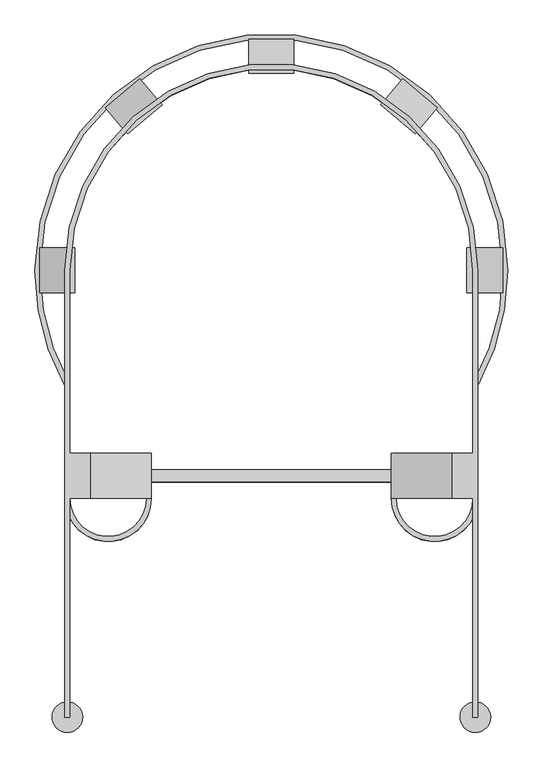
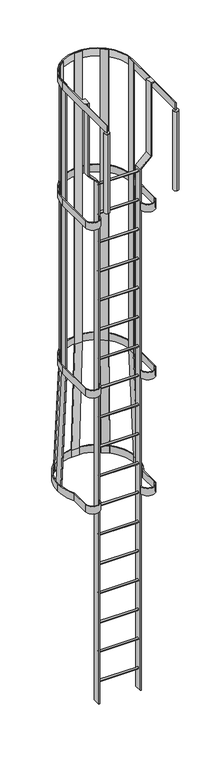
"""IFC4 building model written with IfcOpenShell, lengths in millimetres: proxy geometry."""

from ifc_helpers import new_model, si_unit, point, frame, frame_2d, origin, place, context, project, spatial, polyline, circle_curve, trimmed, segment, composite_curve, outline, extrude, source, transform, mapped, element, save
from ifc_brep_helpers import plane_surface, cylinder_surface, revolved_surface, advanced_brep


def specialty_equipment_2896872f(model_context):
    return source(origin(), model_context, "Body", "SolidModel", [
        extrude(outline(composite_curve([segment(trimmed(circle_curve(frame_2d((272.0, 365.2)), 72.0), [point((344.0, 365.2))], [point((200.0, 365.2))], False, "CARTESIAN"), True, "CONTINUOUS"), segment(polyline([(200.0, 365.2), (208.0, 365.2)]), True, "CONTINUOUS"), segment(trimmed(circle_curve(frame_2d((272.0, 365.2)), 64.0), [point((208.0, 365.2))], [point((336.0, 365.2))], True, "CARTESIAN"), True, "CONTINUOUS"), segment(polyline([(336.0, 365.2), (336.0, 745.2)]), True, "CONTINUOUS"), segment(trimmed(circle_curve(frame_2d((0.0, 745.2)), 336.0), [point((336.0, 745.2))], [point((-336.0, 745.2))], True, "CARTESIAN"), True, "CONTINUOUS"), segment(polyline([(-336.0, 745.2), (-336.0, 365.2)]), True, "CONTINUOUS"), segment(trimmed(circle_curve(frame_2d((-272.0, 365.2)), 64.0), [point((-336.0, 365.2))], [point((-208.0, 365.2))], True, "CARTESIAN"), True, "CONTINUOUS"), segment(polyline([(-208.0, 365.2), (-200.0, 365.2)]), True, "CONTINUOUS"), segment(trimmed(circle_curve(frame_2d((-272.0, 365.2)), 72.0), [point((-200.0, 365.2))], [point((-344.0, 365.2))], False, "CARTESIAN"), True, "CONTINUOUS"), segment(polyline([(-344.0, 365.2), (-344.0, 745.2)]), True, "CONTINUOUS"), segment(trimmed(circle_curve(frame_2d((0.0, 745.2)), 344.0), [point((-344.0, 745.2))], [point((344.0, 745.2))], False, "CARTESIAN"), True, "CONTINUOUS"), segment(polyline([(344.0, 745.2), (344.0, 365.2)]), True, "CONTINUOUS")], self_intersect=False)), frame((0.0, 0.0, -2135.0), z_axis=(0.0, 0.0, 1.0), x_axis=(1.0, 0.0, 0.0)), (0.0, 0.0, 1.0), 75.0),
        extrude(outline(composite_curve([segment(trimmed(circle_curve(frame_2d((402.7, -5185.0)), 10.0), [point((392.7, -5185.0))], [point((412.7, -5185.0))], False, "CARTESIAN"), True, "CONTINUOUS"), segment(trimmed(circle_curve(frame_2d((402.7, -5185.0)), 10.0), [point((412.7, -5185.0))], [point((392.7, -5185.0))], False, "CARTESIAN"), True, "CONTINUOUS")], self_intersect=False)), frame((-200.0, 0.0, 0.0), z_axis=(1.0, 0.0, 0.0), x_axis=(0.0, 1.0, 0.0)), (0.0, 0.0, 1.0), 400.0),
        extrude(outline(composite_curve([segment(trimmed(circle_curve(frame_2d((402.7, -4880.0)), 10.0), [point((392.7, -4880.0))], [point((412.7, -4880.0))], False, "CARTESIAN"), True, "CONTINUOUS"), segment(trimmed(circle_curve(frame_2d((402.7, -4880.0)), 10.0), [point((412.7, -4880.0))], [point((392.7, -4880.0))], False, "CARTESIAN"), True, "CONTINUOUS")], self_intersect=False)), frame((-200.0, 0.0, 0.0), z_axis=(1.0, 0.0, 0.0), x_axis=(0.0, 1.0, 0.0)), (0.0, 0.0, 1.0), 400.0),
        extrude(outline(composite_curve([segment(trimmed(circle_curve(frame_2d((402.7, -4575.0)), 10.0), [point((392.7, -4575.0))], [point((412.7, -4575.0))], False, "CARTESIAN"), True, "CONTINUOUS"), segment(trimmed(circle_curve(frame_2d((402.7, -4575.0)), 10.0), [point((412.7, -4575.0))], [point((392.7, -4575.0))], False, "CARTESIAN"), True, "CONTINUOUS")], self_intersect=False)), frame((-200.0, 0.0, 0.0), z_axis=(1.0, 0.0, 0.0), x_axis=(0.0, 1.0, 0.0)), (0.0, 0.0, 1.0), 400.0),
        extrude(outline(composite_curve([segment(trimmed(circle_curve(frame_2d((402.7, -4270.0)), 10.0), [point((392.7, -4270.0))], [point((412.7, -4270.0))], False, "CARTESIAN"), True, "CONTINUOUS"), segment(trimmed(circle_curve(frame_2d((402.7, -4270.0)), 10.0), [point((412.7, -4270.0))], [point((392.7, -4270.0))], False, "CARTESIAN"), True, "CONTINUOUS")], self_intersect=False)), frame((-200.0, 0.0, 0.0), z_axis=(1.0, 0.0, 0.0), x_axis=(0.0, 1.0, 0.0)), (0.0, 0.0, 1.0), 400.0),
        extrude(outline(composite_curve([segment(trimmed(circle_curve(frame_2d((402.7, -3965.0)), 10.0), [point((392.7, -3965.0))], [point((412.7, -3965.0))], False, "CARTESIAN"), True, "CONTINUOUS"), segment(trimmed(circle_curve(frame_2d((402.7, -3965.0)), 10.0), [point((412.7, -3965.0))], [point((392.7, -3965.0))], False, "CARTESIAN"), True, "CONTINUOUS")], self_intersect=False)), frame((-200.0, 0.0, 0.0), z_axis=(1.0, 0.0, 0.0), x_axis=(0.0, 1.0, 0.0)), (0.0, 0.0, 1.0), 400.0),
        extrude(outline(composite_curve([segment(trimmed(circle_curve(frame_2d((402.7, -3660.0)), 10.0), [point((392.7, -3660.0))], [point((412.7, -3660.0))], False, "CARTESIAN"), True, "CONTINUOUS"), segment(trimmed(circle_curve(frame_2d((402.7, -3660.0)), 10.0), [point((412.7, -3660.0))], [point((392.7, -3660.0))], False, "CARTESIAN"), True, "CONTINUOUS")], self_intersect=False)), frame((-200.0, 0.0, 0.0), z_axis=(1.0, 0.0, 0.0), x_axis=(0.0, 1.0, 0.0)), (0.0, 0.0, 1.0), 400.0),
        extrude(outline(composite_curve([segment(trimmed(circle_curve(frame_2d((402.7, -3355.0)), 10.0), [point((392.7, -3355.0))], [point((412.7, -3355.0))], False, "CARTESIAN"), True, "CONTINUOUS"), segment(trimmed(circle_curve(frame_2d((402.7, -3355.0)), 10.0), [point((412.7, -3355.0))], [point((392.7, -3355.0))], False, "CARTESIAN"), True, "CONTINUOUS")], self_intersect=False)), frame((-200.0, 0.0, 0.0), z_axis=(1.0, 0.0, 0.0), x_axis=(0.0, 1.0, 0.0)), (0.0, 0.0, 1.0), 400.0),
        extrude(outline(composite_curve([segment(trimmed(circle_curve(frame_2d((402.7, -3050.0)), 10.0), [point((392.7, -3050.0))], [point((412.7, -3050.0))], False, "CARTESIAN"), True, "CONTINUOUS"), segment(trimmed(circle_curve(frame_2d((402.7, -3050.0)), 10.0), [point((412.7, -3050.0))], [point((392.7, -3050.0))], False, "CARTESIAN"), True, "CONTINUOUS")], self_intersect=False)), frame((-200.0, 0.0, 0.0), z_axis=(1.0, 0.0, 0.0), x_axis=(0.0, 1.0, 0.0)), (0.0, 0.0, 1.0), 400.0),
        extrude(outline(composite_curve([segment(trimmed(circle_curve(frame_2d((402.7, -2745.0)), 10.0), [point((392.7, -2745.0))], [point((412.7, -2745.0))], False, "CARTESIAN"), True, "CONTINUOUS"), segment(trimmed(circle_curve(frame_2d((402.7, -2745.0)), 10.0), [point((412.7, -2745.0))], [point((392.7, -2745.0))], False, "CARTESIAN"), True, "CONTINUOUS")], self_intersect=False)), frame((-200.0, 0.0, 0.0), z_axis=(1.0, 0.0, 0.0), x_axis=(0.0, 1.0, 0.0)), (0.0, 0.0, 1.0), 400.0),
        extrude(outline(composite_curve([segment(trimmed(circle_curve(frame_2d((402.7, -2440.0)), 10.0), [point((392.7, -2440.0))], [point((412.7, -2440.0))], False, "CARTESIAN"), True, "CONTINUOUS"), segment(trimmed(circle_curve(frame_2d((402.7, -2440.0)), 10.0), [point((412.7, -2440.0))], [point((392.7, -2440.0))], False, "CARTESIAN"), True, "CONTINUOUS")], self_intersect=False)), frame((-200.0, 0.0, 0.0), z_axis=(1.0, 0.0, 0.0), x_axis=(0.0, 1.0, 0.0)), (0.0, 0.0, 1.0), 400.0),
        extrude(outline(composite_curve([segment(trimmed(circle_curve(frame_2d((272.0, 365.2)), 72.0), [point((344.0, 365.2))], [point((200.0, 365.2))], False, "CARTESIAN"), True, "CONTINUOUS"), segment(polyline([(200.0, 365.2), (208.0, 365.2)]), True, "CONTINUOUS"), segment(trimmed(circle_curve(frame_2d((272.0, 365.2)), 64.0), [point((208.0, 365.2))], [point((336.0, 365.2))], True, "CARTESIAN"), True, "CONTINUOUS"), segment(polyline([(336.0, 365.2), (336.0, 745.2)]), True, "CONTINUOUS"), segment(trimmed(circle_curve(frame_2d((0.0, 745.2)), 336.0), [point((336.0, 745.2))], [point((-336.0, 745.2))], True, "CARTESIAN"), True, "CONTINUOUS"), segment(polyline([(-336.0, 745.2), (-336.0, 365.2)]), True, "CONTINUOUS"), segment(trimmed(circle_curve(frame_2d((-272.0, 365.2)), 64.0), [point((-336.0, 365.2))], [point((-208.0, 365.2))], True, "CARTESIAN"), True, "CONTINUOUS"), segment(polyline([(-208.0, 365.2), (-200.0, 365.2)]), True, "CONTINUOUS"), segment(trimmed(circle_curve(frame_2d((-272.0, 365.2)), 72.0), [point((-200.0, 365.2))], [point((-344.0, 365.2))], False, "CARTESIAN"), True, "CONTINUOUS"), segment(polyline([(-344.0, 365.2), (-344.0, 745.2)]), True, "CONTINUOUS"), segment(trimmed(circle_curve(frame_2d((0.0, 745.2)), 344.0), [point((-344.0, 745.2))], [point((344.0, 745.2))], False, "CARTESIAN"), True, "CONTINUOUS"), segment(polyline([(344.0, 745.2), (344.0, 365.2)]), True, "CONTINUOUS")], self_intersect=False)), frame((0.0, 0.0, -385.0), z_axis=(0.0, 0.0, 1.0), x_axis=(1.0, 0.0, 0.0)), (0.0, 0.0, 1.0), 75.0),
        extrude(outline(composite_curve([segment(trimmed(circle_curve(frame_2d((402.7, -2135.0)), 10.0), [point((392.7, -2135.0))], [point((412.7, -2135.0))], False, "CARTESIAN"), True, "CONTINUOUS"), segment(trimmed(circle_curve(frame_2d((402.7, -2135.0)), 10.0), [point((412.7, -2135.0))], [point((392.7, -2135.0))], False, "CARTESIAN"), True, "CONTINUOUS")], self_intersect=False)), frame((-200.0, 0.0, 0.0), z_axis=(1.0, 0.0, 0.0), x_axis=(0.0, 1.0, 0.0)), (0.0, 0.0, 1.0), 400.0),
        extrude(outline(composite_curve([segment(trimmed(circle_curve(frame_2d((402.7, -1830.0)), 10.0), [point((392.7, -1830.0))], [point((412.7, -1830.0))], False, "CARTESIAN"), True, "CONTINUOUS"), segment(trimmed(circle_curve(frame_2d((402.7, -1830.0)), 10.0), [point((412.7, -1830.0))], [point((392.7, -1830.0))], False, "CARTESIAN"), True, "CONTINUOUS")], self_intersect=False)), frame((-200.0, 0.0, 0.0), z_axis=(1.0, 0.0, 0.0), x_axis=(0.0, 1.0, 0.0)), (0.0, 0.0, 1.0), 400.0),
        extrude(outline(composite_curve([segment(trimmed(circle_curve(frame_2d((402.7, -1525.0)), 10.0), [point((392.7, -1525.0))], [point((412.7, -1525.0))], False, "CARTESIAN"), True, "CONTINUOUS"), segment(trimmed(circle_curve(frame_2d((402.7, -1525.0)), 10.0), [point((412.7, -1525.0))], [point((392.7, -1525.0))], False, "CARTESIAN"), True, "CONTINUOUS")], self_intersect=False)), frame((-200.0, 0.0, 0.0), z_axis=(1.0, 0.0, 0.0), x_axis=(0.0, 1.0, 0.0)), (0.0, 0.0, 1.0), 400.0),
        extrude(outline(composite_curve([segment(trimmed(circle_curve(frame_2d((402.7, -1220.0)), 10.0), [point((392.7, -1220.0))], [point((412.7, -1220.0))], False, "CARTESIAN"), True, "CONTINUOUS"), segment(trimmed(circle_curve(frame_2d((402.7, -1220.0)), 10.0), [point((412.7, -1220.0))], [point((392.7, -1220.0))], False, "CARTESIAN"), True, "CONTINUOUS")], self_intersect=False)), frame((-200.0, 0.0, 0.0), z_axis=(1.0, 0.0, 0.0), x_axis=(0.0, 1.0, 0.0)), (0.0, 0.0, 1.0), 400.0),
        extrude(outline(composite_curve([segment(trimmed(circle_curve(frame_2d((402.7, -915.0)), 10.0), [point((392.7, -915.0))], [point((412.7, -915.0))], False, "CARTESIAN"), True, "CONTINUOUS"), segment(trimmed(circle_curve(frame_2d((402.7, -915.0)), 10.0), [point((412.7, -915.0))], [point((392.7, -915.0))], False, "CARTESIAN"), True, "CONTINUOUS")], self_intersect=False)), frame((-200.0, 0.0, 0.0), z_axis=(1.0, 0.0, 0.0), x_axis=(0.0, 1.0, 0.0)), (0.0, 0.0, 1.0), 400.0),
        extrude(outline(composite_curve([segment(trimmed(circle_curve(frame_2d((402.7, -610.0)), 10.0), [point((392.7, -610.0))], [point((412.7, -610.0))], False, "CARTESIAN"), True, "CONTINUOUS"), segment(trimmed(circle_curve(frame_2d((402.7, -610.0)), 10.0), [point((412.7, -610.0))], [point((392.7, -610.0))], False, "CARTESIAN"), True, "CONTINUOUS")], self_intersect=False)), frame((-200.0, 0.0, 0.0), z_axis=(1.0, 0.0, 0.0), x_axis=(0.0, 1.0, 0.0)), (0.0, 0.0, 1.0), 400.0),
        extrude(outline(composite_curve([segment(trimmed(circle_curve(frame_2d((402.7, -305.0)), 10.0), [point((392.7, -305.0))], [point((412.7, -305.0))], False, "CARTESIAN"), True, "CONTINUOUS"), segment(trimmed(circle_curve(frame_2d((402.7, -305.0)), 10.0), [point((412.7, -305.0))], [point((392.7, -305.0))], False, "CARTESIAN"), True, "CONTINUOUS")], self_intersect=False)), frame((-200.0, 0.0, 0.0), z_axis=(1.0, 0.0, 0.0), x_axis=(0.0, 1.0, 0.0)), (0.0, 0.0, 1.0), 400.0),
        extrude(outline(composite_curve([segment(trimmed(circle_curve(frame_2d((402.7, 0.0)), 10.0), [point((392.7, 0.0))], [point((412.7, 0.0))], False, "CARTESIAN"), True, "CONTINUOUS"), segment(trimmed(circle_curve(frame_2d((402.7, 0.0)), 10.0), [point((412.7, 0.0))], [point((392.7, 0.0))], False, "CARTESIAN"), True, "CONTINUOUS")], self_intersect=False)), frame((-200.0, 0.0, 0.0), z_axis=(1.0, 0.0, 0.0), x_axis=(0.0, 1.0, 0.0)), (0.0, 0.0, 1.0), 400.0),
        advanced_brep(
        [(-336.03125, 0.0, 900.0), (-344.03125, 0.0, 900.0), (-344.03125, 0.0, 825.0), (-336.03125, 0.0, 825.0), (-336.03125, 365.2, 900.0), (-301.6, 365.2, 900.0), (-301.6, 440.2, 900.0), (-336.03125, 440.2, 900.0), (-336.03125, 745.2, 900.0), (336.03125, 745.2, 900.0), (336.03125, 440.2, 900.0), (301.6, 440.2, 900.0), (301.6, 365.2, 900.0), (336.03125, 365.2, 900.0), (336.03125, 0.0, 900.0), (344.03125, 0.0, 900.0), (344.03125, 745.2, 900.0), (-344.03125, 745.2, 900.0), (-344.03125, 745.2, 825.0), (-344.03125, 25.0780586, 825.0), (344.03125, 745.2, 825.0), (344.03125, 25.0780586, 825.0), (340.0, 25.4, 825.0), (336.03125, 25.0880255, 825.0), (336.03125, 745.2, 825.0), (-336.03125, 745.2, 825.0), (-336.03125, 25.0880255, 825.0), (-340.0, 25.4, 825.0), (-336.03125, 440.2, 890.0), (-336.03125, 365.2, 890.0), (336.03125, 0.0, 825.0), (344.03125, 0.0, 825.0), (336.03125, 365.2, 890.0), (336.03125, 440.2, 890.0), (301.6, 365.2, 137.4921356), (200.0, 365.2, 35.8921356), (200.0, 365.2, -5400.0), (210.0, 365.2, -5400.0), (210.0, 365.2, 31.75), (311.6, 365.2, 133.35), (311.6, 365.2, 890.0), (311.6, 440.2, 890.0), (311.6, 440.2, 133.35), (210.0, 440.2, 31.75), (210.0, 440.2, -5400.0), (200.0, 440.2, -5400.0), (200.0, 440.2, 35.8921356), (301.6, 440.2, 137.4921356), (-311.6, 365.2, 890.0), (-311.6, 365.2, 133.35), (-210.0, 365.2, 31.75), (-210.0, 365.2, -5400.0), (-200.0, 365.2, -5400.0), (-200.0, 365.2, 35.8921356), (-301.6, 365.2, 137.4921356), (-301.6, 440.2, 137.4921356), (-200.0, 440.2, 35.8921356), (-200.0, 440.2, -5400.0), (-210.0, 440.2, -5400.0), (-210.0, 440.2, 31.75), (-311.6, 440.2, 133.35), (-311.6, 440.2, 890.0), (-340.0, 25.4, 0.0), (-340.0, -25.4, 0.0), (-340.0, -25.4, 825.0), (340.0, 25.4, 0.0), (340.0, -25.4, 0.0), (340.0, -25.4, 825.0)],
        [
            (0, 1),
            (1, 2),
            (2, 3),
            (3, 0),
            (0, 4),
            (4, 5),
            (5, 6),
            (6, 7),
            (7, 8),
            (8, 9, circle_curve(frame((0.0, 745.2, 900.0), z_axis=(0.0, 0.0, -1.0), x_axis=(-1.0, 0.0, 0.0)), 336.03125)),
            (9, 10),
            (10, 11),
            (11, 12),
            (12, 13),
            (13, 14),
            (14, 15),
            (15, 16),
            (16, 17, circle_curve(frame((0.0, 745.2, 900.0), z_axis=(0.0, 0.0, 1.0), x_axis=(-1.0, 0.0, 0.0)), 344.03125)),
            (17, 1),
            (17, 18),
            (18, 19),
            (19, 2),
            (18, 20, circle_curve(frame((0.0, 745.2, 825.0), z_axis=(0.0, 0.0, -1.0), x_axis=(-1.0, 0.0, 0.0)), 344.03125)),
            (20, 21),
            (21, 22, circle_curve(frame((340.0, 0.0, 825.0), z_axis=(0.0, 0.0, 1.0), x_axis=(0.0, -1.0, 0.0)), 25.4)),
            (22, 23, circle_curve(frame((340.0, 0.0, 825.0), z_axis=(0.0, 0.0, 1.0), x_axis=(0.0, -1.0, 0.0)), 25.4)),
            (23, 24),
            (24, 25, circle_curve(frame((0.0, 745.2, 825.0), z_axis=(0.0, 0.0, 1.0), x_axis=(-1.0, 0.0, 0.0)), 336.03125)),
            (25, 26),
            (26, 27, circle_curve(frame((-340.0, 0.0, 825.0), z_axis=(0.0, 0.0, 1.0), x_axis=(0.0, -1.0, 0.0)), 25.4)),
            (27, 19, circle_curve(frame((-340.0, 0.0, 825.0), z_axis=(0.0, 0.0, 1.0), x_axis=(0.0, -1.0, 0.0)), 25.4)),
            (3, 26),
            (25, 8),
            (7, 28),
            (28, 29),
            (29, 4),
            (16, 20),
            (24, 9),
            (14, 30),
            (30, 31),
            (31, 15),
            (31, 21),
            (23, 30),
            (13, 32),
            (32, 33),
            (33, 10),
            (12, 34),
            (34, 35),
            (35, 36),
            (36, 37),
            (37, 38),
            (38, 39),
            (39, 40),
            (40, 32),
            (41, 42),
            (42, 43),
            (43, 44),
            (44, 45),
            (45, 46),
            (46, 47),
            (47, 11),
            (33, 41),
            (47, 34),
            (46, 35),
            (45, 36),
            (44, 37),
            (43, 38),
            (42, 39),
            (41, 40),
            (48, 49),
            (49, 50),
            (50, 51),
            (51, 52),
            (52, 53),
            (53, 54),
            (54, 5),
            (29, 48),
            (6, 55),
            (55, 56),
            (56, 57),
            (57, 58),
            (58, 59),
            (59, 60),
            (60, 61),
            (61, 28),
            (48, 61),
            (60, 49),
            (59, 50),
            (58, 51),
            (57, 52),
            (56, 53),
            (55, 54),
            (62, 63, circle_curve(frame((-340.0, 0.0, 0.0), z_axis=(0.0, 0.0, -1.0), x_axis=(0.0, -1.0, 0.0)), 25.4)),
            (63, 62, circle_curve(frame((-340.0, 0.0, 0.0), z_axis=(0.0, 0.0, -1.0), x_axis=(0.0, -1.0, 0.0)), 25.4)),
            (19, 64, circle_curve(frame((-340.0, 0.0, 825.0), z_axis=(0.0, 0.0, 1.0), x_axis=(0.0, -1.0, 0.0)), 25.4)),
            (64, 26, circle_curve(frame((-340.0, 0.0, 825.0), z_axis=(0.0, 0.0, 1.0), x_axis=(0.0, -1.0, 0.0)), 25.4)),
            (62, 27),
            (64, 63),
            (65, 66, circle_curve(frame((340.0, 0.0, 0.0), z_axis=(0.0, 0.0, -1.0), x_axis=(0.0, -1.0, 0.0)), 25.4)),
            (66, 65, circle_curve(frame((340.0, 0.0, 0.0), z_axis=(0.0, 0.0, -1.0), x_axis=(0.0, -1.0, 0.0)), 25.4)),
            (67, 21, circle_curve(frame((340.0, 0.0, 825.0), z_axis=(0.0, 0.0, 1.0), x_axis=(0.0, -1.0, 0.0)), 25.4)),
            (23, 67, circle_curve(frame((340.0, 0.0, 825.0), z_axis=(0.0, 0.0, 1.0), x_axis=(0.0, -1.0, 0.0)), 25.4)),
            (65, 22),
            (67, 66),
        ],
        [
            plane_surface(frame((-340.0, 0.0, 0.0), z_axis=(0.0, -1.0, 0.0), x_axis=(0.0, 0.0, 1.0))),
            plane_surface(frame((-336.03125, 0.0, 900.0), z_axis=(0.0, 0.0, 1.0), x_axis=(0.0, 1.0, 0.0))),
            plane_surface(frame((-344.03125, 0.0, 900.0), z_axis=(-1.0, 0.0, 0.0), x_axis=(0.0, 1.0, 0.0))),
            plane_surface(frame((-344.03125, 0.0, 825.0), z_axis=(0.0, 0.0, -1.0), x_axis=(0.0, 1.0, 0.0))),
            plane_surface(frame((-336.03125, 0.0, 825.0), z_axis=(1.0, 0.0, 0.0), x_axis=(0.0, 1.0, 0.0))),
            cylinder_surface(frame((0.0, 745.2, 0.0), z_axis=(0.0, 0.0, -1.0), x_axis=(-1.0, 0.0, 0.0)), 344.03125),
            revolved_surface(polyline([(-336.03125, 745.2, 825.0), (-336.03125, 745.2, 900.0)]), (0.0, 745.2, 0.0), (0.0, 0.0, -1.0)),
            plane_surface(frame((340.0, 0.0, 0.0), z_axis=(0.0, -1.0, 0.0), x_axis=(0.0, 0.0, 1.0))),
            plane_surface(frame((344.03125, 745.2, 900.0), z_axis=(1.0, 0.0, 0.0), x_axis=(0.0, -1.0, 0.0))),
            plane_surface(frame((336.03125, 745.2, 825.0), z_axis=(-1.0, 0.0, 0.0), x_axis=(0.0, -1.0, 0.0))),
            plane_surface(frame((270.9170109, 365.2, 0.0), z_axis=(0.0, -1.0, 0.0), x_axis=(0.0, 0.0, 1.0))),
            plane_surface(frame((270.9170109, 440.2, 0.0), z_axis=(0.0, 1.0, 0.0), x_axis=(0.0, 0.0, 1.0))),
            plane_surface(frame((301.6, 365.2, 900.0), z_axis=(-1.0, 0.0, 0.0), x_axis=(0.0, 1.0, 0.0))),
            plane_surface(frame((301.6, 365.2, 137.4921356), z_axis=(-0.7071067811865553, 0.0, 0.7071067811865398), x_axis=(0.0, 1.0, 0.0))),
            plane_surface(frame((200.0, 365.2, 35.8921356), z_axis=(-1.0, 0.0, 0.0), x_axis=(0.0, 1.0, 0.0))),
            plane_surface(frame((200.0, 365.2, -5400.0), z_axis=(0.0, 0.0, -1.0), x_axis=(0.0, 1.0, 0.0))),
            plane_surface(frame((210.0, 365.2, -5400.0), z_axis=(1.0, 0.0, 0.0), x_axis=(0.0, 1.0, 0.0))),
            plane_surface(frame((210.0, 365.2, 31.75), z_axis=(0.707106781186555, 0.0, -0.7071067811865401), x_axis=(0.0, 1.0, 0.0))),
            plane_surface(frame((311.6, 365.2, 133.35), z_axis=(1.0, 0.0, 0.0), x_axis=(0.0, 1.0, 0.0))),
            plane_surface(frame((311.6, 365.2, 890.0), z_axis=(0.0, 0.0, -1.0), x_axis=(0.0, 1.0, 0.0))),
            plane_surface(frame((-514.625, 365.2, 0.0), z_axis=(0.0, -1.0, 0.0), x_axis=(0.0, 0.0, 1.0))),
            plane_surface(frame((-514.625, 440.2, 0.0), z_axis=(0.0, 1.0, 0.0), x_axis=(0.0, 0.0, 1.0))),
            plane_surface(frame((-311.6, 365.2, 890.0), z_axis=(-1.0, 0.0, 0.0), x_axis=(0.0, 1.0, 0.0))),
            plane_surface(frame((-311.6, 365.2, 133.35), z_axis=(-0.7071067811865539, 0.0, -0.7071067811865411), x_axis=(0.0, 1.0, 0.0))),
            plane_surface(frame((-210.0, 365.2, 31.75), z_axis=(-1.0, 0.0, 0.0), x_axis=(0.0, 1.0, 0.0))),
            plane_surface(frame((-210.0, 365.2, -5400.0), z_axis=(0.0, 0.0, -1.0), x_axis=(0.0, 1.0, 0.0))),
            plane_surface(frame((-200.0, 365.2, -5400.0), z_axis=(1.0, 0.0, 0.0), x_axis=(0.0, 1.0, 0.0))),
            plane_surface(frame((-200.0, 365.2, 35.8921356), z_axis=(0.7071067811865526, 0.0, 0.7071067811865425), x_axis=(0.0, 1.0, 0.0))),
            plane_surface(frame((-301.6, 365.2, 137.4921356), z_axis=(1.0, 0.0, 0.0), x_axis=(0.0, 1.0, 0.0))),
            plane_surface(frame((-340.0, 365.2, 890.0), z_axis=(0.0, 0.0, -1.0), x_axis=(0.0, 1.0, 0.0))),
            plane_surface(frame((0.0, -25.4, 0.0), z_axis=(0.0, 0.0, -1.0), x_axis=(1.0, 0.0, 0.0))),
            plane_surface(frame((0.0, -25.4, 825.0), z_axis=(0.0, 0.0, 1.0), x_axis=(1.0, 0.0, 0.0))),
            cylinder_surface(frame((-340.0, 0.0, 0.0), z_axis=(0.0, 0.0, -1.0), x_axis=(0.0, -1.0, 0.0)), 25.4),
            cylinder_surface(frame((340.0, 0.0, 0.0), z_axis=(0.0, 0.0, -1.0), x_axis=(0.0, -1.0, 0.0)), 25.4),
        ],
        [
            (0, [[1, 2, 3, 4]]),
            (1, [[-1, 5, 6, 7, 8, 9, 10, 11, 12, 13, 14, 15, 16, 17, 18, 19]]),
            (2, [[-2, -19, 20, 21, 22]]),
            (3, [[23, 24, 25, 26, 27, 28, 29, 30, 31, -21]]),
            (4, [[-4, 32, -29, 33, -9, 34, 35, 36, -5]]),
            (5, [[-18, 37, -23, -20]]),
            (6, [[-10, -33, -28, 38]]),
            (7, [[-16, 39, 40, 41]]),
            (8, [[-17, -41, 42, -24, -37]]),
            (9, [[-38, -27, 43, -39, -15, 44, 45, 46, -11]]),
            (10, [[47, 48, 49, 50, 51, 52, 53, 54, -44, -14]]),
            (11, [[55, 56, 57, 58, 59, 60, 61, -12, -46, 62]]),
            (12, [[-47, -13, -61, 63]]),
            (13, [[-48, -63, -60, 64]]),
            (14, [[-49, -64, -59, 65]]),
            (15, [[-50, -65, -58, 66]]),
            (16, [[-51, -66, -57, 67]]),
            (17, [[-52, -67, -56, 68]]),
            (18, [[-53, -68, -55, 69]]),
            (19, [[-69, -62, -45, -54]]),
            (20, [[70, 71, 72, 73, 74, 75, 76, -6, -36, 77]]),
            (21, [[78, 79, 80, 81, 82, 83, 84, 85, -34, -8]]),
            (22, [[-70, 86, -84, 87]]),
            (23, [[-71, -87, -83, 88]]),
            (24, [[-72, -88, -82, 89]]),
            (25, [[-73, -89, -81, 90]]),
            (26, [[-74, -90, -80, 91]]),
            (27, [[-75, -91, -79, 92]]),
            (28, [[-76, -92, -78, -7]]),
            (29, [[-86, -77, -35, -85]]),
            (30, [[93, 94]]),
            (31, [[95, 96, -32, -3, -22]]),
            (32, [[-93, 97, -30, -96, 98]]),
            (32, [[-94, -98, -95, -31, -97]]),
            (30, [[99, 100]]),
            (31, [[101, -42, -40, -43, 102]]),
            (33, [[-99, 103, -25, -101, 104]]),
            (33, [[-100, -104, -102, -26, -103]]),
        ],
    ),
        extrude(outline(polyline([(0.0, -8.0), (0.0, 0.0), (3035.176126, 0.0), (4170.176126, -50.0), (4245.0, -50.0), (4245.0, -58.0), (4170.0, -58.0), (3035.0, -8.0), (0.0, -8.0)])), frame((239.5610026, 972.358042, 900.0), z_axis=(-0.7660444431189735, 0.6427876096865449, 0.0), x_axis=(0.0, 0.0, -1.0)), (0.0, 0.0, 1.0), 75.0),
        extrude(outline(polyline([(0.0, -8.0000001), (0.0, 0.0), (3035.0, 0.0), (4170.0, 49.9999999), (4245.0, 49.9999999), (4245.0, 41.9999999), (4170.176126, 41.9999999), (3035.176126, -8.0000001), (0.0, -8.0000001)])), frame((-244.7230809, 978.4656505, 900.0), z_axis=(0.7659899441659141, 0.6428525534185112, 0.0), x_axis=(0.0, 0.0, -1.0)), (0.0, 0.0, 1.0), 75.0),
        extrude(outline(polyline([(1073.2, 900.0), (1081.2, 900.0), (1081.2, -2135.0), (1131.2, -3270.0), (1131.2, -3345.0), (1123.2, -3345.0), (1123.2, -3270.176126), (1073.2, -2135.176126), (1073.2, 900.0)])), frame((-37.5, 0.0, 0.0), z_axis=(1.0, 0.0, 0.0), x_axis=(0.0, 1.0, 0.0)), (0.0, 0.0, 1.0), 75.0),
        extrude(outline(polyline([(900.0, -328.0), (900.0, -336.0), (-2135.0, -336.0), (-3270.0, -386.0), (-3345.0, -386.0), (-3345.0, -378.0), (-3270.176126, -378.0), (-2135.176126, -328.0), (900.0, -328.0)])), frame((0.0, 707.7, 0.0), z_axis=(0.0, 1.0, 0.0), x_axis=(0.0, 0.0, 1.0)), (0.0, 0.0, 1.0), 75.0),
        extrude(outline(polyline([(900.0, 336.03125), (900.0, 326.03125), (-2135.2194696, 326.03125), (-3270.2194696, 376.03125), (-3345.0, 376.03125), (-3345.0, 386.03125), (-3269.999312, 386.03125), (-2134.999312, 336.03125), (900.0, 336.03125)])), frame((0.0, 707.7, 0.0), z_axis=(0.0, 1.0, 0.0), x_axis=(0.0, 0.0, 1.0)), (0.0, 0.0, 1.0), 75.0),
        extrude(outline(composite_curve([segment(trimmed(circle_curve(frame_2d((0.0, 745.2)), 394.03125), [point((394.03125, 745.2))], [point((344.03125, 553.098139))], False, "CARTESIAN"), True, "CONTINUOUS"), segment(polyline([(344.03125, 553.098139), (344.03125, 365.2)]), True, "CONTINUOUS"), segment(trimmed(circle_curve(frame_2d((272.0, 365.2)), 72.03125), [point((344.03125, 365.2))], [point((199.96875, 365.2))], False, "CARTESIAN"), True, "CONTINUOUS"), segment(polyline([(199.96875, 365.2), (207.96875, 365.2)]), True, "CONTINUOUS"), segment(trimmed(circle_curve(frame_2d((272.0, 365.2)), 64.03125), [point((207.96875, 365.2))], [point((336.03125, 365.2))], True, "CARTESIAN"), True, "CONTINUOUS"), segment(polyline([(336.03125, 365.2), (336.03125, 555.1917765)]), True, "CONTINUOUS"), segment(trimmed(circle_curve(frame_2d((0.0, 745.2)), 386.03125), [point((336.03125, 555.1917765))], [point((386.03125, 745.2))], True, "CARTESIAN"), True, "CONTINUOUS"), segment(trimmed(circle_curve(frame_2d((0.0, 745.2)), 386.03125), [point((386.03125, 745.2))], [point((-386.03125, 745.2))], True, "CARTESIAN"), True, "CONTINUOUS"), segment(trimmed(circle_curve(frame_2d((0.0, 745.2)), 386.03125), [point((-386.03125, 745.2))], [point((-336.03125, 555.1917765))], True, "CARTESIAN"), True, "CONTINUOUS"), segment(polyline([(-336.03125, 555.1917765), (-336.03125, 365.2)]), True, "CONTINUOUS"), segment(trimmed(circle_curve(frame_2d((-272.0, 365.2)), 64.03125), [point((-336.03125, 365.2))], [point((-207.96875, 365.2))], True, "CARTESIAN"), True, "CONTINUOUS"), segment(polyline([(-207.96875, 365.2), (-199.96875, 365.2)]), True, "CONTINUOUS"), segment(trimmed(circle_curve(frame_2d((-272.0, 365.2)), 72.03125), [point((-199.96875, 365.2))], [point((-344.03125, 365.2))], False, "CARTESIAN"), True, "CONTINUOUS"), segment(polyline([(-344.03125, 365.2), (-344.03125, 553.098139)]), True, "CONTINUOUS"), segment(trimmed(circle_curve(frame_2d((0.0, 745.2)), 394.03125), [point((-344.03125, 553.098139))], [point((-394.03125, 745.2))], False, "CARTESIAN"), True, "CONTINUOUS"), segment(trimmed(circle_curve(frame_2d((0.0, 745.2)), 394.03125), [point((-394.03125, 745.2))], [point((394.03125, 745.2))], False, "CARTESIAN"), True, "CONTINUOUS")], self_intersect=False)), frame((0.0, 0.0, -3345.0), z_axis=(0.0, 0.0, 1.0), x_axis=(1.0, 0.0, 0.0)), (0.0, 0.0, 1.0), 75.0),
    ])


if __name__ == "__main__":
    model = new_model("IFC4")
    model_context = context("Model", 3, world=origin())
    ifc_project = project(units=[si_unit("LENGTHUNIT", "METRE", prefix="MILLI")], contexts=[model_context])
    site = spatial("IfcSite", under=ifc_project)
    building = spatial("IfcBuilding", under=site)
    placement = place(None, origin())
    specialty_equipment_shape = specialty_equipment_2896872f(model_context)
    element("IfcBuildingElementProxy", 1, Name="Specialty Equipment", at=placement, inside=building, context=model_context, shape_type="MappedRepresentation", body=[
        mapped(specialty_equipment_shape, transform((0.0, 0.0, 0.0), x_axis=(1.0, 0.0, 0.0), y_axis=(0.0, 1.0, 0.0), z_axis=(0.0, 0.0, 1.0))),
    ])
    save(model, "model.ifc")
